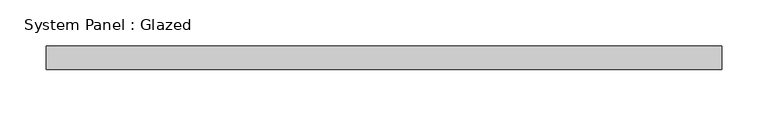
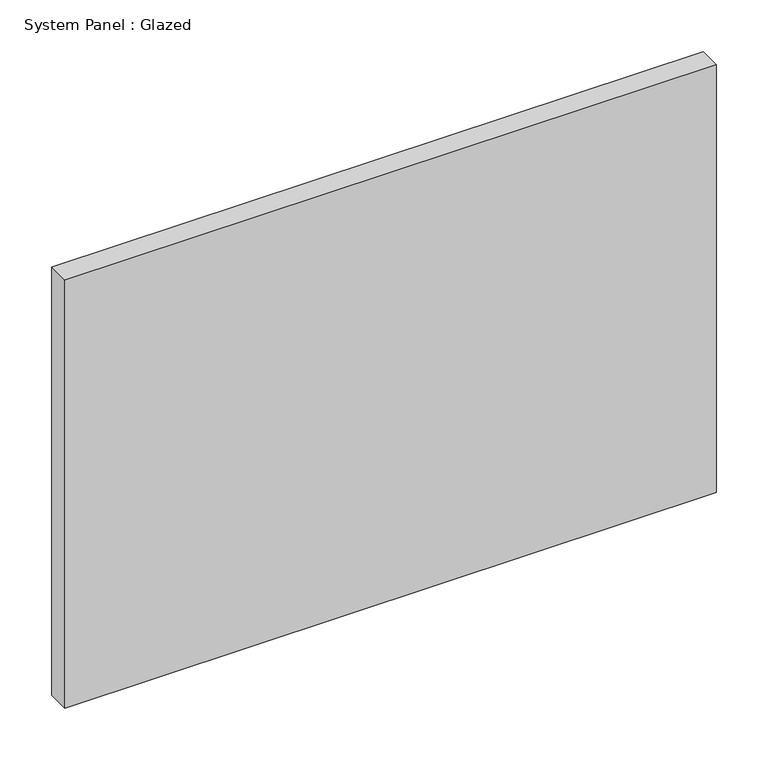
"""IFC4 building model written with IfcOpenShell, lengths in millimetres: plate geometry, System Panel : Glazed."""

from ifc_helpers import new_model, si_unit, origin, origin_with_axes, place, context, project, spatial, polyline, outline, extrude, source, transform, mapped, element, save


def system_panel_glazed_b068e4ec(model_context):
    return source(origin(), model_context, "Body", "SweptSolid", [
        extrude(outline(polyline([(363.6722104, -44.45), (-363.6722104, -44.45), (-363.6722104, -19.05), (363.6722104, -19.05), (363.6722104, -44.45)])), origin_with_axes(), (0.0, 0.0, 1.0), 505.46),
    ])


if __name__ == "__main__":
    model = new_model("IFC4")
    model_context = context("Model", 3, world=origin())
    ifc_project = project(units=[si_unit("LENGTHUNIT", "METRE", prefix="MILLI")], contexts=[model_context])
    site = spatial("IfcSite", under=ifc_project)
    building = spatial("IfcBuilding", under=site)
    placement = place(None, origin())
    system_panel_glazed_shape = system_panel_glazed_b068e4ec(model_context)
    element("IfcPlate", 1, ObjectType="System Panel : Glazed", at=placement, inside=building, context=model_context, shape_type="MappedRepresentation", body=[
        mapped(system_panel_glazed_shape, transform((0.0, 0.0, 0.0), x_axis=(1.0, 0.0, 0.0), y_axis=(0.0, 1.0, 0.0), z_axis=(0.0, 0.0, 1.0))),
    ])
    save(model, "model.ifc")
